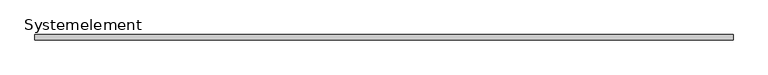
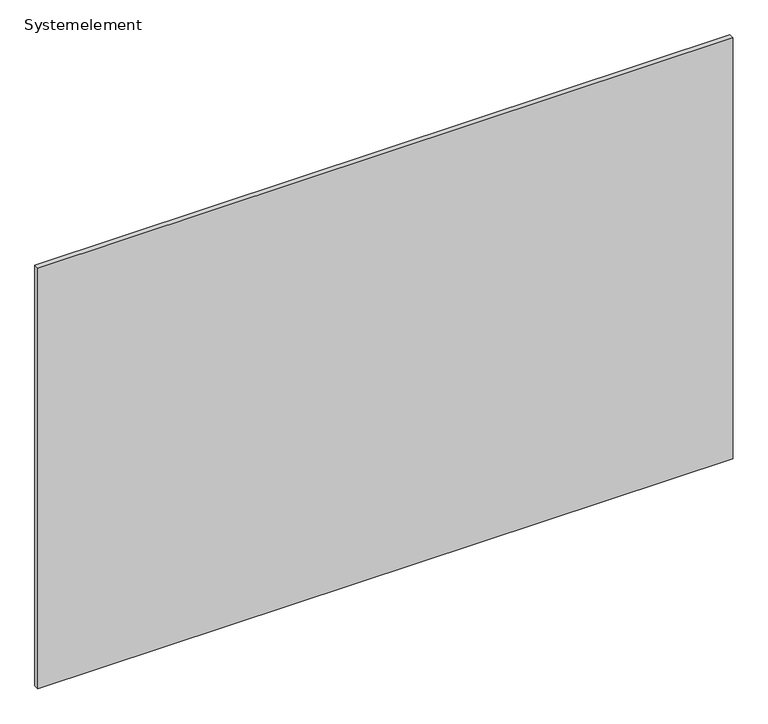
"""IFC4 building model written with IfcOpenShell, lengths in millimetres: plate geometry, Systemelement."""

from ifc_helpers import new_model, si_unit, origin, origin_with_axes, place, context, project, spatial, polyline, outline, extrude, source, transform, mapped, element, save


def systemelement_6d0e6993(model_context):
    return source(origin(), model_context, "Body", "SweptSolid", [
        extrude(outline(polyline([(675.0, 0.0), (-675.0, 0.0), (-675.0, 10.0), (675.0, 10.0), (675.0, 0.0)])), origin_with_axes(), (0.0, 0.0, 1.0), 864.0),
    ])


if __name__ == "__main__":
    model = new_model("IFC4")
    model_context = context("Model", 3, world=origin())
    ifc_project = project(units=[si_unit("LENGTHUNIT", "METRE", prefix="MILLI")], contexts=[model_context])
    site = spatial("IfcSite", under=ifc_project)
    building = spatial("IfcBuilding", under=site)
    placement = place(None, origin())
    systemelement_shape = systemelement_6d0e6993(model_context)
    element("IfcPlate", 1, ObjectType="Systemelement", at=placement, inside=building, context=model_context, shape_type="MappedRepresentation", body=[
        mapped(systemelement_shape, transform((0.0, 0.0, 0.0), x_axis=(1.0, 0.0, 0.0), y_axis=(0.0, 1.0, 0.0), z_axis=(0.0, 0.0, 1.0))),
    ])
    save(model, "model.ifc")
